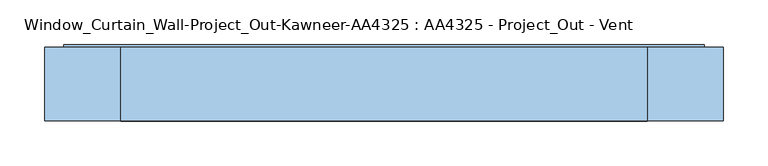
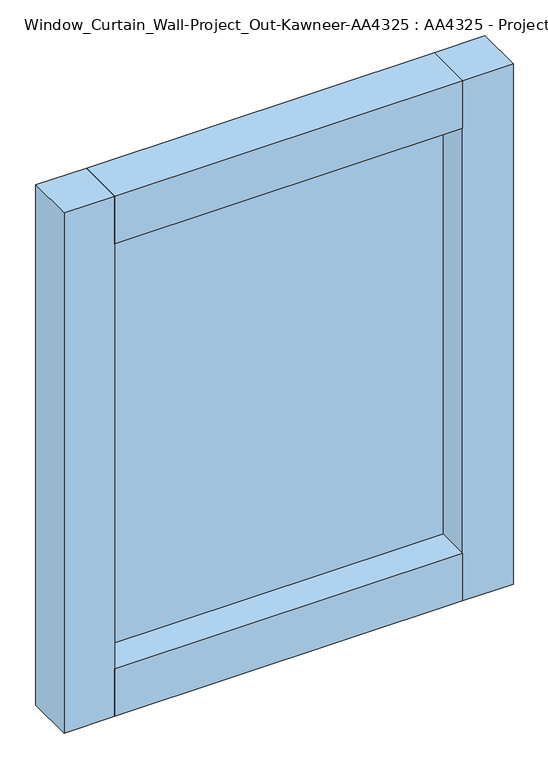
"""IFC4 building model written with IfcOpenShell, lengths in millimetres: window geometry, Window_Curtain_Wall-Project_Out-Kawneer-AA4325 : AA4325 - Project_Out - Vent."""

from ifc_helpers import new_model, si_unit, frame, origin, origin_with_axes, place, context, project, spatial, polyline, outline, extrude, source, transform, mapped, element, save


def window_curtain_wall_project_out_kawneer_aa4325_aa4325_7a3bb19d(model_context):
    return source(origin(), model_context, "Body", "SweptSolid", [
        extrude(outline(polyline([(21.43125, -359.56875), (21.43125, 359.56875), (911.225, 359.56875), (911.225, -359.56875), (21.43125, -359.56875)]), holes=[polyline([(850.9, -299.24375), (850.9, 299.24375), (81.75625, 299.24375), (81.75625, -299.24375), (850.9, -299.24375)])]), frame((0.0, -38.1, 0.0), z_axis=(0.0, 1.0, 0.0), x_axis=(0.0, 0.0, 1.0)), (0.0, 0.0, 1.0), 82.55),
        extrude(outline(polyline([(-299.24375, 15.875), (-299.24375, 41.275), (299.24375, 41.275), (299.24375, 15.875), (-299.24375, 15.875)])), frame((0.0, 0.0, 81.75625), z_axis=(0.0, 0.0, 1.0), x_axis=(1.0, 0.0, 0.0)), (0.0, 0.0, 1.0), 769.14375),
        extrude(outline(polyline([(295.275, 41.275), (295.275, -41.275), (-295.275, -41.275), (-295.275, 41.275), (295.275, 41.275)])), frame((0.0, 0.0, 846.93125), z_axis=(0.0, 0.0, 1.0), x_axis=(1.0, 0.0, 0.0)), (0.0, 0.0, 1.0), 85.725),
        extrude(outline(polyline([(295.275, 41.275), (295.275, -41.275), (-295.275, -41.275), (-295.275, 41.275), (295.275, 41.275)])), origin_with_axes(), (0.0, 0.0, 1.0), 85.725),
        extrude(outline(polyline([(-381.0, -41.275), (-381.0, 41.275), (-295.275, 41.275), (-295.275, -41.275), (-381.0, -41.275)])), origin_with_axes(), (0.0, 0.0, 1.0), 932.65625),
        extrude(outline(polyline([(381.0, -41.275), (295.275, -41.275), (295.275, 41.275), (381.0, 41.275), (381.0, -41.275)])), origin_with_axes(), (0.0, 0.0, 1.0), 932.65625),
    ])


if __name__ == "__main__":
    model = new_model("IFC4")
    model_context = context("Model", 3, world=origin())
    ifc_project = project(units=[si_unit("LENGTHUNIT", "METRE", prefix="MILLI")], contexts=[model_context])
    site = spatial("IfcSite", under=ifc_project)
    building = spatial("IfcBuilding", under=site)
    placement = place(None, origin())
    window_curtain_wall_project_out_kawneer_aa4325_aa4325_shape = window_curtain_wall_project_out_kawneer_aa4325_aa4325_7a3bb19d(model_context)
    element("IfcWindow", 1, ObjectType="Window_Curtain_Wall-Project_Out-Kawneer-AA4325 : AA4325 - Project_Out - Vent", at=placement, inside=building, context=model_context, shape_type="MappedRepresentation", body=[
        mapped(window_curtain_wall_project_out_kawneer_aa4325_aa4325_shape, transform((0.0, 0.0, 0.0), x_axis=(1.0, 0.0, 0.0), y_axis=(0.0, 1.0, 0.0), z_axis=(0.0, 0.0, 1.0))),
    ])
    save(model, "model.ifc")
